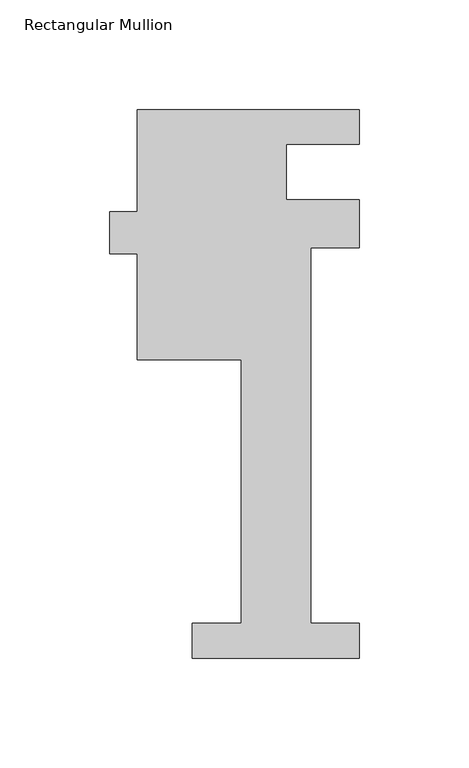
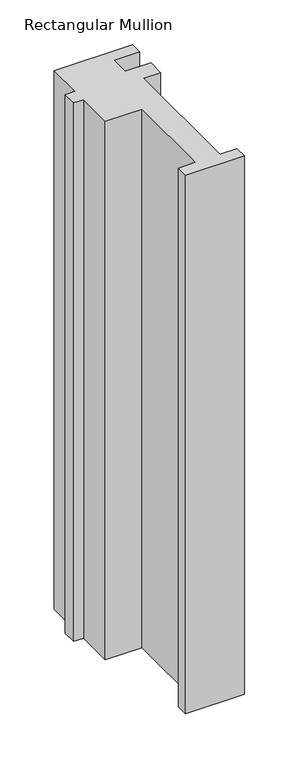
"""IFC4 building model written with IfcOpenShell, lengths in millimetres: member geometry, Rectangular Mullion."""

from ifc_helpers import new_model, si_unit, frame, origin, place, context, project, spatial, polyline, outline, extrude, source, transform, mapped, element, save


def rectangular_mullion_d9022029(model_context):
    return source(origin(), model_context, "Body", "SweptSolid", [
        extrude(outline(polyline([(-38.1, -221.996), (-38.1, -206.121), (-15.875, -206.121), (-15.875, -85.7445803), (-63.2464382, -85.7445803), (-63.2464382, -37.2155784), (-75.9552088, -37.2155784), (-75.9552088, -18.1655784), (-63.2464382, -18.1655784), (-63.2464382, 28.5554197), (38.1, 28.5554197), (38.1, 12.7), (4.7625, 12.7), (4.7625, -12.7), (38.1, -12.7), (38.1, -34.671), (15.875, -34.671), (15.875, -206.121), (38.1, -206.121), (38.1, -221.996), (-38.1, -221.996)])), frame((0.0, 0.0, -736.6), z_axis=(0.0, 0.0, 1.0), x_axis=(1.0, 0.0, 0.0)), (0.0, 0.0, 1.0), 736.6),
    ])


if __name__ == "__main__":
    model = new_model("IFC4")
    model_context = context("Model", 3, world=origin())
    ifc_project = project(units=[si_unit("LENGTHUNIT", "METRE", prefix="MILLI")], contexts=[model_context])
    site = spatial("IfcSite", under=ifc_project)
    building = spatial("IfcBuilding", under=site)
    placement = place(None, origin())
    rectangular_mullion_shape = rectangular_mullion_d9022029(model_context)
    element("IfcMember", 1, ObjectType="Rectangular Mullion", at=placement, inside=building, context=model_context, shape_type="MappedRepresentation", body=[
        mapped(rectangular_mullion_shape, transform((0.0, 0.0, 0.0), x_axis=(1.0, 0.0, 0.0), y_axis=(0.0, 1.0, 0.0), z_axis=(0.0, 0.0, 1.0))),
    ])
    save(model, "model.ifc")
